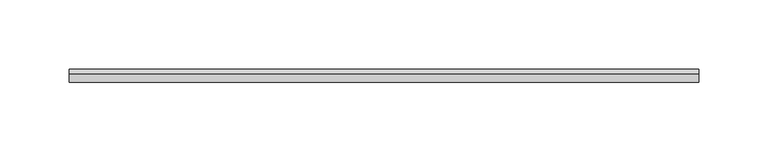
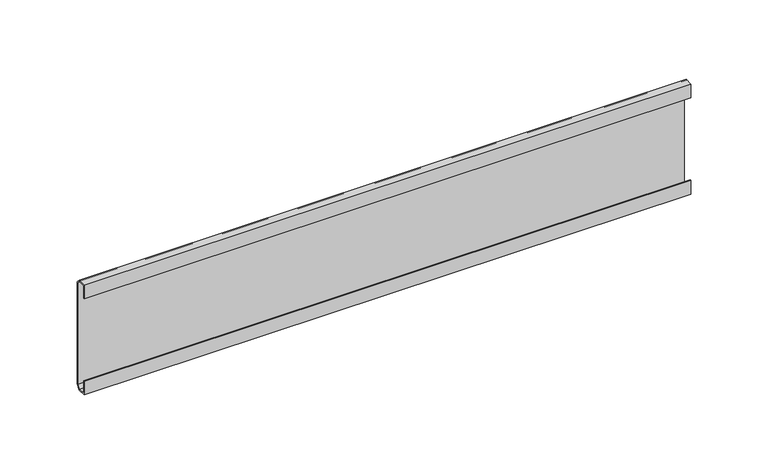
"""IFC4 building model written with IfcOpenShell, lengths in millimetres: furniture geometry."""

from ifc_helpers import new_model, si_unit, frame, origin, place, context, project, spatial, polyline, outline, extrude, source, transform, mapped, element, save


def furniture_a9678101(model_context):
    return source(origin(), model_context, "Body", "SweptSolid", [
        extrude(outline(polyline([(29.5671875, 104.2233438), (35.9171874, 104.2233438), (39.0921875, 101.0285018), (39.0921875, 20.3835004), (35.917184, 17.2085), (29.5671875, 17.2085), (29.5671875, 28.0035022), (30.3609375, 28.0035022), (30.3609375, 18.0022534), (35.9171874, 18.0022534), (38.2984375, 20.3835035), (38.2984375, 101.0284987), (35.9171874, 103.4295937), (30.3609375, 103.4295937), (30.3609375, 93.4085), (29.5671875, 93.4085), (29.5671875, 104.2233438)])), frame((-227.409375, 0.0, 0.0), z_axis=(1.0, 0.0, 0.0), x_axis=(0.0, 1.0, 0.0)), (0.0, 0.0, 1.0), 454.81875),
    ])


if __name__ == "__main__":
    model = new_model("IFC4")
    model_context = context("Model", 3, world=origin())
    ifc_project = project(units=[si_unit("LENGTHUNIT", "METRE", prefix="MILLI")], contexts=[model_context])
    site = spatial("IfcSite", under=ifc_project)
    building = spatial("IfcBuilding", under=site)
    placement = place(None, origin())
    furniture_shape = furniture_a9678101(model_context)
    element("IfcFurniture", 1, at=placement, inside=building, context=model_context, shape_type="MappedRepresentation", body=[
        mapped(furniture_shape, transform((0.0, 0.0, 0.0), x_axis=(1.0, 0.0, 0.0), y_axis=(0.0, 1.0, 0.0), z_axis=(0.0, 0.0, 1.0))),
    ])
    save(model, "model.ifc")
